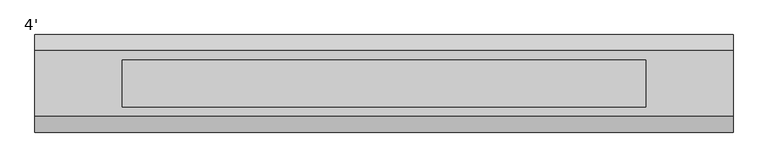
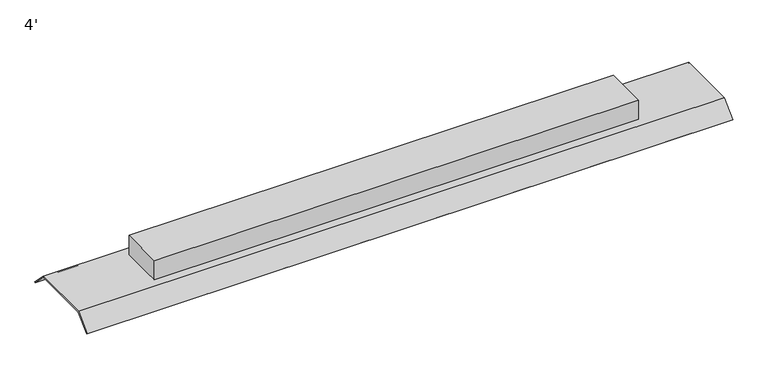
"""IFC4 building model written with IfcOpenShell, lengths in millimetres: light fixture geometry, 4'."""

import ifcopenshell
import ifcopenshell.guid

model = None  # the IFC model being written
_history = None  # IfcOwnerHistory: only IFC2X3 demands one
_inside = {}  # id of a spatial element -> (the spatial element, [elements in it])
_under = {}  # id of a project, library or spatial element -> (it, [spatial elements below it])
_declared = {}  # id of a project -> (the project, [libraries it declares])
_typed = {}  # id of a type object -> (the type object, [elements of that type])
_made_of = {}  # id of a material, layer set ... -> (it, [elements and type objects made of it])


def new_model(schema):
    """Start an empty IFC model of exactly this schema.

    Asked for "IFC4X3", IfcOpenShell would pick the latest addendum, in which some entities
    have other attributes; the version numbers below select the first issue.
    IFC2X3 requires an IfcOwnerHistory on every rooted entity: one is made here for all.
    """
    global model, _history
    if schema == "IFC4X3":
        model = ifcopenshell.file(schema_version=(4, 3, 0, 0))
    else:
        model = ifcopenshell.file(schema=schema)
    _inside.clear()
    _under.clear()
    _declared.clear()
    _typed.clear()
    _made_of.clear()
    _history = None
    if model.schema == "IFC2X3":
        org = make("IfcOrganization", Name="unknown")
        user = make(
            "IfcPersonAndOrganization",
            ThePerson=make("IfcPerson", FamilyName="unknown"),
            TheOrganization=org,
        )
        app = make(
            "IfcApplication",
            ApplicationDeveloper=org,
            Version="unknown",
            ApplicationFullName="unknown",
            ApplicationIdentifier="unknown",
        )
        _history = make(
            "IfcOwnerHistory",
            OwningUser=user,
            OwningApplication=app,
            ChangeAction="ADDED",
            CreationDate=0,
        )
    return model


def make(cls, **values):
    """One entity of the class cls with the attributes given. An attribute that is None is left unset."""
    return model.create_entity(
        cls, **{name: value for name, value in values.items() if value is not None}
    )


def rooted(cls, **values):
    """An entity with a GlobalId (a new one), such as an element, a storey or a relation."""
    return make(cls, GlobalId=ifcopenshell.guid.new(), OwnerHistory=_history, **values)


def si_unit(unit_type, name, prefix=None):
    """IfcSIUnit, for example si_unit("LENGTHUNIT", "METRE", prefix="MILLI")."""
    return make("IfcSIUnit", UnitType=unit_type, Prefix=prefix, Name=name)


def assignment(units):
    """IfcUnitAssignment: the units of a project."""
    return None if units is None else make("IfcUnitAssignment", Units=units)


def point(xyz):
    """IfcCartesianPoint."""
    return None if xyz is None else make("IfcCartesianPoint", Coordinates=xyz)


def direction(xyz):
    """IfcDirection."""
    return None if xyz is None else make("IfcDirection", DirectionRatios=xyz)


def frame(location, z_axis=None, x_axis=None):
    """IfcAxis2Placement3D, a coordinate frame: its origin and axes. An axis left out is left unset."""
    return make(
        "IfcAxis2Placement3D",
        Location=point(location),
        Axis=direction(z_axis),
        RefDirection=direction(x_axis),
    )


def frame_2d(location, x_axis=None):
    """IfcAxis2Placement2D, a coordinate frame in the plane: its origin and x axis."""
    return make(
        "IfcAxis2Placement2D", Location=point(location), RefDirection=direction(x_axis)
    )


def origin():
    """The frame at (0, 0, 0) with its axes left unset."""
    return frame((0.0, 0.0, 0.0))


def place(relative_to, where):
    """IfcLocalPlacement: puts the frame where relative to a parent placement (None: the world)."""
    return make(
        "IfcLocalPlacement", PlacementRelTo=relative_to, RelativePlacement=where
    )


def context(
    kind, dimensions, precision=None, world=None, true_north=None, identifier=None
):
    """IfcGeometricRepresentationContext, for example the 3D "Model" context."""
    return make(
        "IfcGeometricRepresentationContext",
        ContextIdentifier=identifier,
        ContextType=kind,
        CoordinateSpaceDimension=dimensions,
        Precision=precision,
        WorldCoordinateSystem=world,
        TrueNorth=true_north,
    )


def project(units=None, contexts=None):
    """IfcProject with its units and contexts."""
    return rooted(
        "IfcProject",
        Name="project",
        RepresentationContexts=contexts,
        UnitsInContext=assignment(units),
    )


def spatial(cls, under=None, at=None, **own):
    """A site, building, storey or space (cls), placed at a placement, below another one or the project."""
    s = rooted(cls, ObjectPlacement=at, **own)
    if under is not None:
        _under.setdefault(under.id(), (under, []))[1].append(s)
    return s


def polyline(points):
    """IfcPolyline through the points."""
    return make("IfcPolyline", Points=[point(p) for p in points])


def circle_curve(where, radius):
    """IfcCircle in the frame where."""
    return make("IfcCircle", Position=where, Radius=radius)


def trimmed(basis, trim1, trim2, sense, master):
    """IfcTrimmedCurve: the piece of a basis curve between two trims."""
    return make(
        "IfcTrimmedCurve",
        BasisCurve=basis,
        Trim1=trim1,
        Trim2=trim2,
        SenseAgreement=sense,
        MasterRepresentation=master,
    )


def segment(curve, same_sense, transition):
    """IfcCompositeCurveSegment."""
    return make(
        "IfcCompositeCurveSegment",
        Transition=transition,
        SameSense=same_sense,
        ParentCurve=curve,
    )


def composite_curve(segments, self_intersect=None):
    """IfcCompositeCurve: segments joined end to end."""
    return make("IfcCompositeCurve", Segments=segments, SelfIntersect=self_intersect)


def outline(outer, holes=None, kind="AREA"):
    """IfcArbitraryClosedProfileDef: a profile drawn as a closed curve; with holes, ...WithVoids."""
    if holes is None:
        return make("IfcArbitraryClosedProfileDef", ProfileType=kind, OuterCurve=outer)
    return make(
        "IfcArbitraryProfileDefWithVoids",
        ProfileType=kind,
        OuterCurve=outer,
        InnerCurves=holes,
    )


def extrude(swept, where, along, depth):
    """IfcExtrudedAreaSolid: the profile swept, set in the frame where, extruded along a direction by depth."""
    return make(
        "IfcExtrudedAreaSolid",
        SweptArea=swept,
        Position=where,
        ExtrudedDirection=direction(along),
        Depth=depth,
    )


def shape(context_of_items, identifier, shape_type, items):
    """IfcShapeRepresentation: the items that make up one representation, for example the "Body"."""
    return make(
        "IfcShapeRepresentation",
        ContextOfItems=context_of_items,
        RepresentationIdentifier=identifier,
        RepresentationType=shape_type,
        Items=items,
    )


def source(mapping_origin, context_of_items, identifier, shape_type, items):
    """IfcRepresentationMap: a shape defined once, which mapped items show again and again."""
    return make(
        "IfcRepresentationMap",
        MappingOrigin=mapping_origin,
        MappedRepresentation=shape(context_of_items, identifier, shape_type, items),
    )


def transform(
    local_origin,
    x_axis=None,
    y_axis=None,
    z_axis=None,
    scale=None,
    scale2=None,
    scale3=None,
    uniform=True,
):
    """IfcCartesianTransformationOperator3D, or its non-uniform kind. x_axis, y_axis, z_axis: its Axis1, 2, 3."""
    if uniform:
        return make(
            "IfcCartesianTransformationOperator3D",
            Axis1=direction(x_axis),
            Axis2=direction(y_axis),
            LocalOrigin=point(local_origin),
            Scale=scale,
            Axis3=direction(z_axis),
        )
    return make(
        "IfcCartesianTransformationOperator3DnonUniform",
        Axis1=direction(x_axis),
        Axis2=direction(y_axis),
        LocalOrigin=point(local_origin),
        Scale=scale,
        Axis3=direction(z_axis),
        Scale2=scale2,
        Scale3=scale3,
    )


def mapped(mapping_source, mapping_target):
    """IfcMappedItem: shows the shape of a source again, moved by a transform."""
    return make(
        "IfcMappedItem", MappingSource=mapping_source, MappingTarget=mapping_target
    )


def made_of(thing, what):
    """Note that an element or type object is made of a material, layer set ...; save() writes the relation."""
    if what is not None:
        _made_of.setdefault(what.id(), (what, []))[1].append(thing)
    return thing


def element(
    cls,
    number,
    at=None,
    inside=None,
    cuts=None,
    type_object=None,
    material=None,
    context=None,
    identifier="Body",
    shape_type=None,
    held_by="IfcProductDefinitionShape",
    body=None,
    shapes=None,
    **own,
):
    """One element of the class cls, such as IfcWall. Its Tag is "e" and its number.

    at: its placement. inside: the storey or other place that contains it. cuts: it is an
    opening in that element (IfcRelVoidsElement). A single representation is given by context,
    identifier, shape_type and body (its items); several are given by shapes. held_by: the class
    of the entity that holds the representations. save() writes the other relations.
    """
    e = rooted(cls, Tag="e%d" % number, ObjectPlacement=at, **own)
    if body is not None:
        shapes = [shape(context, identifier, shape_type, body)]
    if shapes is not None:
        e.Representation = make(held_by, Representations=shapes)
    if inside is not None:
        _inside.setdefault(inside.id(), (inside, []))[1].append(e)
    if cuts is not None:
        rooted(
            "IfcRelVoidsElement", RelatingBuildingElement=cuts, RelatedOpeningElement=e
        )
    if type_object is not None:
        _typed.setdefault(type_object.id(), (type_object, []))[1].append(e)
    return made_of(e, material)


def aggregate(whole, parts):
    """IfcRelAggregates: a whole, such as a stair, and the parts it consists of."""
    return rooted("IfcRelAggregates", RelatingObject=whole, RelatedObjects=parts)


def save(model, path):
    """Write the relations noted so far, then the file.

    IfcRelAggregates (storeys below a building ...), IfcRelContainedInSpatialStructure (elements
    in a storey), IfcRelDefinesByType, IfcRelAssociatesMaterial and IfcRelDeclares: one each for
    every whole, place, type object, material and project.
    """
    for whole, parts in _under.values():
        aggregate(whole, parts)
    for where, things in _inside.values():
        rooted(
            "IfcRelContainedInSpatialStructure",
            RelatedElements=things,
            RelatingStructure=where,
        )
    for kind, things in _typed.values():
        rooted("IfcRelDefinesByType", RelatedObjects=things, RelatingType=kind)
    for what, things in _made_of.values():
        rooted("IfcRelAssociatesMaterial", RelatedObjects=things, RelatingMaterial=what)
    for by, libraries in _declared.values():
        rooted("IfcRelDeclares", RelatingContext=by, RelatedDefinitions=libraries)
    model.write(path)


def light_fixture_4_5452e846(model_context):
    return source(origin(), model_context, "Body", "SweptSolid", [
        extrude(outline(composite_curve([segment(trimmed(circle_curve(frame_2d((-25.5468294, 2374.9)), 9.3292459), [point((-34.8760753, 2374.9))], [point((-16.2175836, 2374.9))], False, "CARTESIAN"), True, "CONTINUOUS"), segment(trimmed(circle_curve(frame_2d((-25.5468294, 2374.9)), 9.3292459), [point((-16.2175836, 2374.9))], [point((-34.8760753, 2374.9))], False, "CARTESIAN"), True, "CONTINUOUS")], self_intersect=False)), frame((-558.8, 0.0, 0.0), z_axis=(1.0, 0.0, 0.0), x_axis=(0.0, 1.0, 0.0)), (0.0, 0.0, 1.0), 1117.6),
        extrude(outline(composite_curve([segment(trimmed(circle_curve(frame_2d((25.2531706, 2374.9)), 9.3292459), [point((15.9239247, 2374.9))], [point((34.5824164, 2374.9))], False, "CARTESIAN"), True, "CONTINUOUS"), segment(trimmed(circle_curve(frame_2d((25.2531706, 2374.9)), 9.3292459), [point((34.5824164, 2374.9))], [point((15.9239247, 2374.9))], False, "CARTESIAN"), True, "CONTINUOUS")], self_intersect=False)), frame((-558.8, 0.0, 0.0), z_axis=(1.0, 0.0, 0.0), x_axis=(0.0, 1.0, 0.0)), (0.0, 0.0, 1.0), 1117.6),
        extrude(outline(polyline([(-457.2, -41.2847544), (-457.2, 41.2847544), (457.2, 41.2847544), (457.2, -41.2847544), (-457.2, -41.2847544)])), frame((0.0, 0.0, 2389.3160868), z_axis=(0.0, 0.0, 1.0), x_axis=(1.0, 0.0, 0.0)), (0.0, 0.0, 1.0), 38.1896731),
        extrude(outline(polyline([(57.15, 2387.7285868), (-57.15, 2387.7285868), (-84.0907684, 2360.7878185), (-85.2214615, 2361.9185116), (-57.8238862, 2389.3160868), (57.8238862, 2389.3160868), (85.2214615, 2361.9185116), (84.0907684, 2360.7878185), (57.15, 2387.7285868)])), frame((-609.6, 0.0, 0.0), z_axis=(1.0, 0.0, 0.0), x_axis=(0.0, 1.0, 0.0)), (0.0, 0.0, 1.0), 1219.2),
    ])


if __name__ == "__main__":
    model = new_model("IFC4")
    model_context = context("Model", 3, world=origin())
    ifc_project = project(units=[si_unit("LENGTHUNIT", "METRE", prefix="MILLI")], contexts=[model_context])
    site = spatial("IfcSite", under=ifc_project)
    building = spatial("IfcBuilding", under=site)
    placement = place(None, origin())
    light_fixture_4_shape = light_fixture_4_5452e846(model_context)
    element("IfcLightFixture", 1, ObjectType="4'", at=placement, inside=building, context=model_context, shape_type="MappedRepresentation", body=[
        mapped(light_fixture_4_shape, transform((0.0, 0.0, 0.0), x_axis=(1.0, 0.0, 0.0), y_axis=(0.0, 1.0, 0.0), z_axis=(0.0, 0.0, 1.0))),
    ])
    save(model, "model.ifc")
